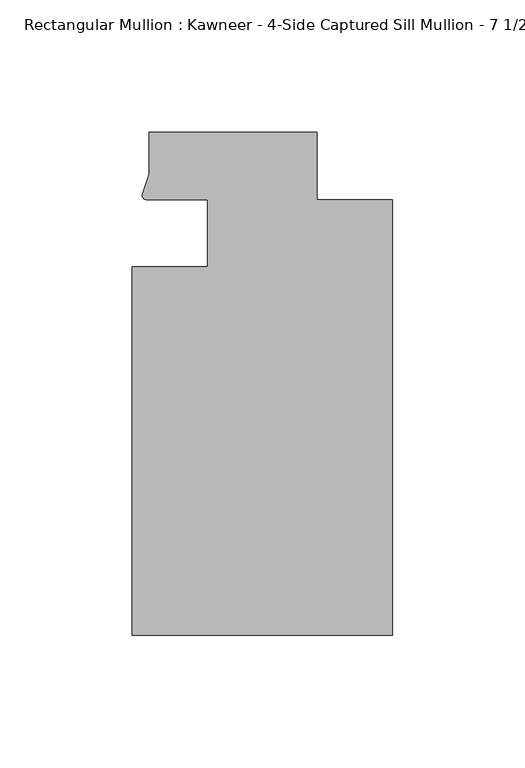
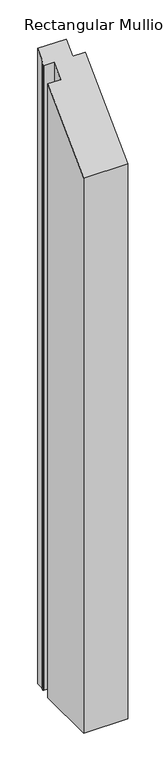
"""IFC4 building model written with IfcOpenShell, lengths in millimetres: member geometry."""

from ifc_helpers import new_model, si_unit, frame, origin, place, context, project, spatial, circle_curve, ellipse_curve, source, transform, mapped, element, save
from ifc_brep_helpers import plane_surface, cylinder_surface, advanced_brep


def member_ab17f71d(model_context):
    return source(origin(), model_context, "Body", "AdvancedBrep", [
        advanced_brep(
        [(-69.85, -12.7, -1469.1796193), (-69.85, 12.700061, -1469.1796193), (-93.1091288, 12.700061, -1469.1796193), (-94.7258552, 14.2884292, -1469.1796193), (-92.075, 22.2250977, -1469.1796193), (-92.075, 38.1, -1469.1796193), (-28.575, 38.1, -1469.1796193), (-28.575, 12.7, -1469.1796193), (0.0, 12.7, -1469.1796193), (0.0, -151.892, -1469.1796193), (-98.425, -151.892, -1469.1796193), (-98.425, -12.7, -1469.1796193), (-98.425, -12.7, -12.7), (-69.85, -12.7, -12.7), (-98.425, -151.892, -151.892), (0.0, -151.892, -151.892), (0.0, 12.7, 12.7), (-28.575, 12.7, 12.7), (-28.575, 38.1, 38.1), (-92.075, 38.1, 38.1), (-92.075, 22.2250977, 22.2250977), (-94.7258552, 14.2884292, 14.2884292), (-93.1091288, 12.700061, 12.700061), (-69.85, 12.700061, 12.700061)],
        [
            (0, 1),
            (1, 2),
            (2, 3, circle_curve(frame((-93.0262373, 14.401412, -1469.1796193), z_axis=(0.0, 0.0, -1.0), x_axis=(-0.04866327869705179, -0.9988152408260765, 0.0)), 1.703369)),
            (3, 4),
            (4, 5),
            (5, 6),
            (6, 7),
            (7, 8),
            (8, 9),
            (9, 10),
            (10, 11),
            (11, 0),
            (12, 13),
            (13, 0),
            (11, 12),
            (14, 12),
            (10, 14),
            (15, 14),
            (9, 15),
            (16, 15),
            (8, 16),
            (17, 16),
            (7, 17),
            (18, 17),
            (6, 18),
            (19, 18),
            (5, 19),
            (20, 19),
            (4, 20),
            (21, 20),
            (3, 21),
            (22, 21, ellipse_curve(frame((-93.0262373, 14.401412, 14.401412), z_axis=(0.0, 0.7071067811865481, -0.707106781186547), x_axis=(0.0, 0.7071067811865469, 0.707106781186548)), 2.4089276, 1.703369)),
            (2, 22),
            (23, 22),
            (1, 23),
            (13, 23),
        ],
        [
            plane_surface(frame((0.0, -180.9935366, -1469.1796193), z_axis=(0.0, 0.0, -1.0), x_axis=(-1.0, 0.0, 0.0))),
            plane_surface(frame((-69.85, -12.7, 0.0), z_axis=(0.0, 1.0, 0.0), x_axis=(0.0, 0.0, -1.0))),
            plane_surface(frame((-98.425, -12.7, 0.0), z_axis=(-1.0, 0.0, 0.0), x_axis=(0.0, 0.0, -1.0))),
            plane_surface(frame((-98.425, -151.892, 0.0), z_axis=(0.0, -1.0, 0.0), x_axis=(0.0, 0.0, -1.0))),
            plane_surface(frame((0.0, -151.892, 0.0), z_axis=(1.0, 0.0, 0.0), x_axis=(0.0, 0.0, -1.0))),
            plane_surface(frame((0.0, 12.7, 0.0), z_axis=(0.0, 1.0, 0.0), x_axis=(0.0, 0.0, -1.0))),
            plane_surface(frame((-28.575, 12.7, 0.0), z_axis=(1.0, 0.0, 0.0), x_axis=(0.0, 0.0, -1.0))),
            plane_surface(frame((-28.575, 38.1, 0.0), z_axis=(0.0, 1.0, 0.0), x_axis=(0.0, 0.0, -1.0))),
            plane_surface(frame((-92.075, 38.1, 0.0), z_axis=(-1.0, 0.0, 0.0), x_axis=(0.0, 0.0, -1.0))),
            plane_surface(frame((-92.075, 22.2250977, 0.0), z_axis=(-0.9484931443165878, 0.3167976565324192, 0.0), x_axis=(0.0, 0.0, -1.0))),
            cylinder_surface(frame((-93.0262373, 14.401412, 0.0), z_axis=(0.0, 0.0, 1.0000000000000002), x_axis=(-0.04866327869705179, -0.9988152408260765, 0.0)), 1.703369),
            plane_surface(frame((-93.1091288, 12.700061, 0.0), z_axis=(0.0, -1.0, 0.0), x_axis=(0.0, 0.0, -1.0))),
            plane_surface(frame((-69.85, 12.700061, 0.0), z_axis=(-1.0, 0.0, 0.0), x_axis=(0.0, 0.0, -1.0))),
            plane_surface(frame((304.8, 0.0, 0.0), z_axis=(0.0, -0.7071067811865481, 0.707106781186547), x_axis=(0.0, -0.707106781186547, -0.7071067811865481))),
        ],
        [
            (0, [[1, 2, 3, 4, 5, 6, 7, 8, 9, 10, 11, 12]]),
            (1, [[13, 14, -12, 15]]),
            (2, [[16, -15, -11, 17]]),
            (3, [[18, -17, -10, 19]]),
            (4, [[20, -19, -9, 21]]),
            (5, [[22, -21, -8, 23]]),
            (6, [[24, -23, -7, 25]]),
            (7, [[26, -25, -6, 27]]),
            (8, [[28, -27, -5, 29]]),
            (9, [[30, -29, -4, 31]]),
            (10, [[32, -31, -3, 33]]),
            (11, [[34, -33, -2, 35]]),
            (12, [[36, -35, -1, -14]]),
            (13, [[-13, -16, -18, -20, -22, -24, -26, -28, -30, -32, -34, -36]]),
        ],
    ),
    ])


if __name__ == "__main__":
    model = new_model("IFC4")
    model_context = context("Model", 3, world=origin())
    ifc_project = project(units=[si_unit("LENGTHUNIT", "METRE", prefix="MILLI")], contexts=[model_context])
    site = spatial("IfcSite", under=ifc_project)
    building = spatial("IfcBuilding", under=site)
    placement = place(None, origin())
    member_shape = member_ab17f71d(model_context)
    element("IfcMember", 1, ObjectType="Rectangular Mullion : Kawneer - 4-Side Captured Sill Mullion - 7 1/2\"", at=placement, inside=building, context=model_context, shape_type="MappedRepresentation", body=[
        mapped(member_shape, transform((0.0, 0.0, 0.0), x_axis=(1.0, 0.0, 0.0), y_axis=(0.0, 1.0, 0.0), z_axis=(0.0, 0.0, 1.0))),
    ])
    save(model, "model.ifc")
